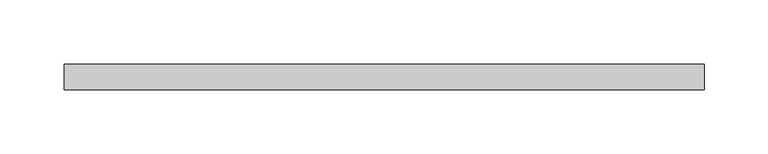
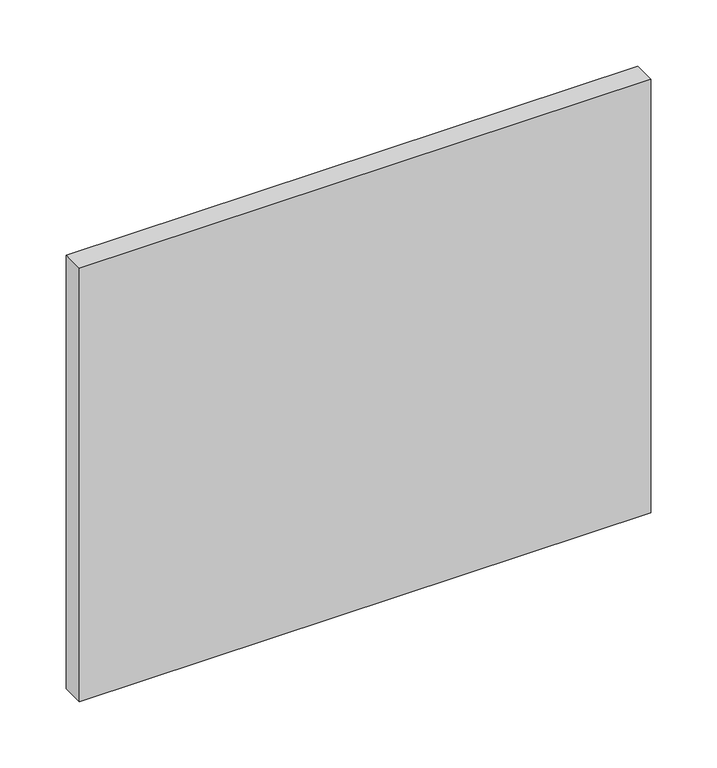
"""IFC4 building model written with IfcOpenShell, lengths in millimetres: plate geometry."""

from ifc_helpers import new_model, si_unit, origin, origin_with_axes, place, context, project, spatial, polyline, outline, extrude, source, transform, mapped, element, save


def plate_93d4d7f0(model_context):
    return source(origin(), model_context, "Body", "SweptSolid", [
        extrude(outline(polyline([(250.0, -90.0), (-250.0, -90.0), (-250.0, -70.0), (250.0, -70.0), (250.0, -90.0)])), origin_with_axes(), (0.0, 0.0, 1.0), 400.8552083),
    ])


if __name__ == "__main__":
    model = new_model("IFC4")
    model_context = context("Model", 3, world=origin())
    ifc_project = project(units=[si_unit("LENGTHUNIT", "METRE", prefix="MILLI")], contexts=[model_context])
    site = spatial("IfcSite", under=ifc_project)
    building = spatial("IfcBuilding", under=site)
    placement = place(None, origin())
    plate_shape = plate_93d4d7f0(model_context)
    element("IfcPlate", 1, at=placement, inside=building, context=model_context, shape_type="MappedRepresentation", body=[
        mapped(plate_shape, transform((0.0, 0.0, 0.0), x_axis=(1.0, 0.0, 0.0), y_axis=(0.0, 1.0, 0.0), z_axis=(0.0, 0.0, 1.0))),
    ])
    save(model, "model.ifc")
